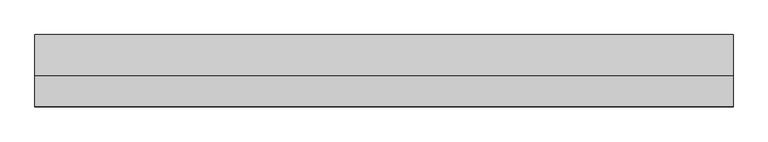
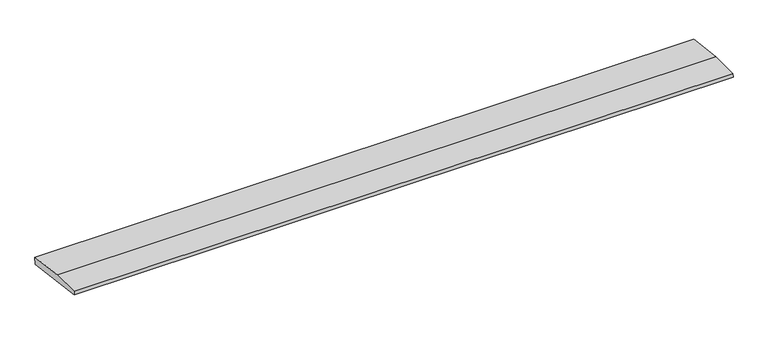
"""IFC4 building model written with IfcOpenShell, lengths in millimetres: beam geometry."""

from ifc_helpers import new_model, si_unit, frame, origin, place, context, project, spatial, polyline, outline, extrude, source, transform, mapped, element, save


def beam_c049dcea(model_context):
    return source(origin(), model_context, "Body", "SweptSolid", [
        extrude(outline(polyline([(0.0, -9.143159), (1.1226388, 0.0), (79.0749747, 0.0), (180.9387048, -12.5072934), (178.6231873, -31.3656703), (0.0, -9.143159)])), frame((-874.2360137, 0.0, 0.0), z_axis=(1.0, 0.0, 0.0), x_axis=(0.0, 1.0, 0.0)), (0.0, 0.0, 1.0), 1748.4720274),
    ])


if __name__ == "__main__":
    model = new_model("IFC4")
    model_context = context("Model", 3, world=origin())
    ifc_project = project(units=[si_unit("LENGTHUNIT", "METRE", prefix="MILLI")], contexts=[model_context])
    site = spatial("IfcSite", under=ifc_project)
    building = spatial("IfcBuilding", under=site)
    placement = place(None, origin())
    beam_shape = beam_c049dcea(model_context)
    element("IfcBeam", 1, at=placement, inside=building, context=model_context, shape_type="MappedRepresentation", body=[
        mapped(beam_shape, transform((0.0, 0.0, 0.0), x_axis=(1.0, 0.0, 0.0), y_axis=(0.0, 1.0, 0.0), z_axis=(0.0, 0.0, 1.0))),
    ])
    save(model, "model.ifc")
